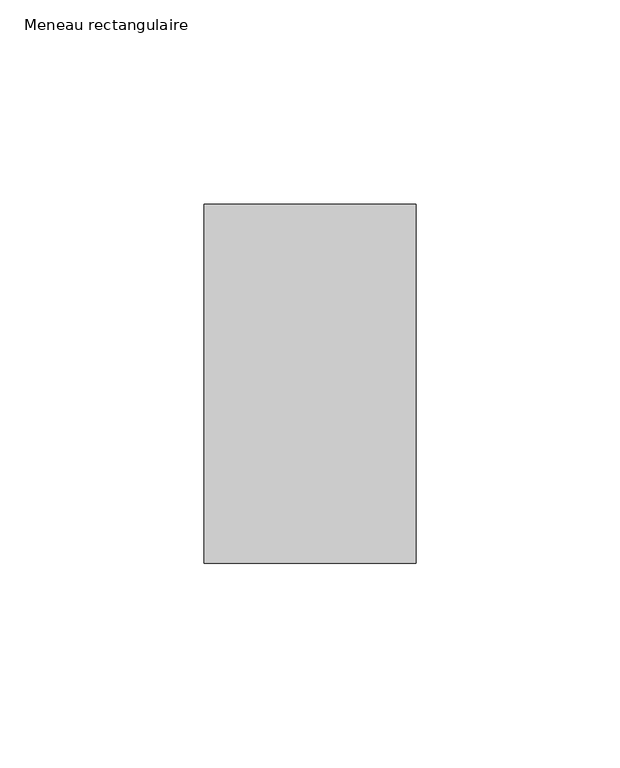
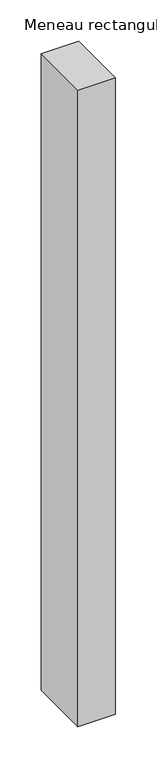
"""IFC4 building model written with IfcOpenShell, lengths in millimetres: member geometry, Meneau rectangulaire."""

from ifc_helpers import new_model, si_unit, frame, origin, place, context, project, spatial, polyline, outline, extrude, source, transform, mapped, element, save


def meneau_rectangulaire_8c603507(model_context):
    return source(origin(), model_context, "Body", "SweptSolid", [
        extrude(outline(polyline([(-52.0, 44.0), (0.0, 44.0), (0.0, -44.0), (-52.0, -44.0), (-52.0, 44.0)])), frame((0.0, 0.0, -937.0873828), z_axis=(0.0, 0.0, 1.0), x_axis=(1.0, 0.0, 0.0)), (0.0, 0.0, 1.0), 937.0873828),
    ])


if __name__ == "__main__":
    model = new_model("IFC4")
    model_context = context("Model", 3, world=origin())
    ifc_project = project(units=[si_unit("LENGTHUNIT", "METRE", prefix="MILLI")], contexts=[model_context])
    site = spatial("IfcSite", under=ifc_project)
    building = spatial("IfcBuilding", under=site)
    placement = place(None, origin())
    meneau_rectangulaire_shape = meneau_rectangulaire_8c603507(model_context)
    element("IfcMember", 1, ObjectType="Meneau rectangulaire", at=placement, inside=building, context=model_context, shape_type="MappedRepresentation", body=[
        mapped(meneau_rectangulaire_shape, transform((0.0, 0.0, 0.0), x_axis=(1.0, 0.0, 0.0), y_axis=(0.0, 1.0, 0.0), z_axis=(0.0, 0.0, 1.0))),
    ])
    save(model, "model.ifc")
